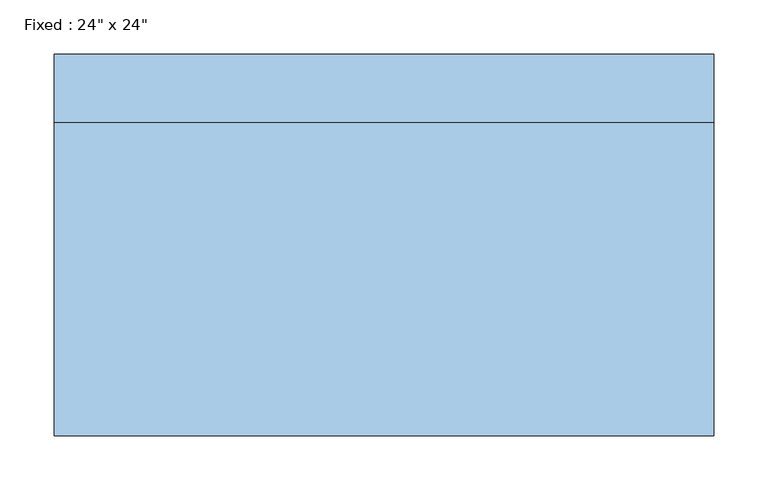
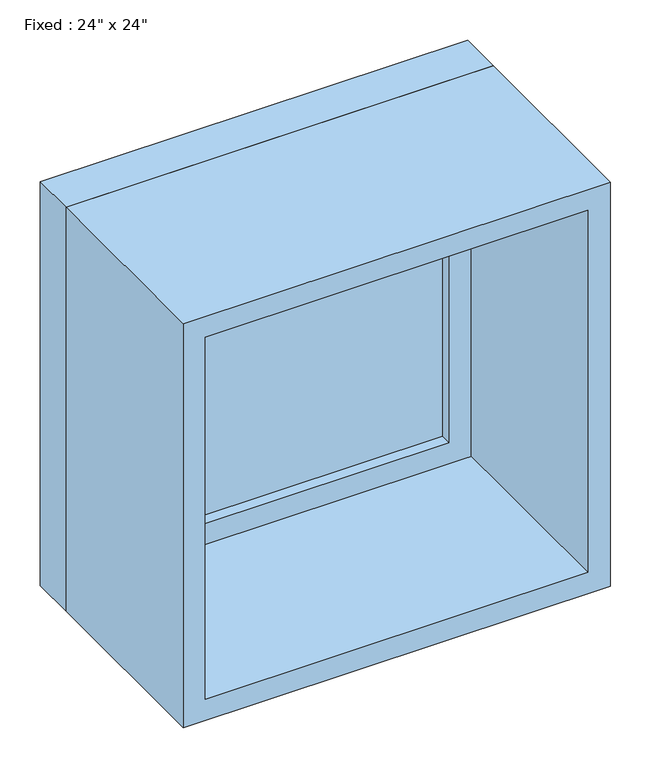
"""IFC4 building model written with IfcOpenShell, lengths in millimetres: window geometry."""

from ifc_helpers import new_model, si_unit, frame, origin, place, context, project, spatial, polyline, outline, extrude, source, transform, mapped, element, save


def window_c64d902a(model_context):
    return source(origin(), model_context, "Body", "SweptSolid", [
        extrude(outline(polyline([(203.2, 128.5875), (-279.4, 128.5875), (-279.4, 141.2875), (203.2, 141.2875), (203.2, 128.5875)])), frame((0.0, 0.0, 977.9), z_axis=(0.0, 0.0, 1.0), x_axis=(1.0, 0.0, 0.0)), (0.0, 0.0, 1.0), 482.6),
        extrude(outline(polyline([(1504.95, -323.85), (933.45, -323.85), (933.45, 247.65), (1504.95, 247.65), (1504.95, -323.85)]), holes=[polyline([(1460.5, -279.4), (1460.5, 203.2), (977.9, 203.2), (977.9, -279.4), (1460.5, -279.4)])]), frame((0.0, 112.7125, 0.0), z_axis=(0.0, 1.0, 0.0), x_axis=(0.0, 0.0, 1.0)), (0.0, 0.0, 1.0), 44.45),
        extrude(outline(polyline([(1524.0, -342.9), (914.4, -342.9), (914.4, 266.7), (1524.0, 266.7), (1524.0, -342.9)]), holes=[polyline([(1492.25, -311.15), (1492.25, 234.95), (946.15, 234.95), (946.15, -311.15), (1492.25, -311.15)])]), frame((0.0, -176.2125, 0.0), z_axis=(0.0, 1.0, 0.0), x_axis=(0.0, 0.0, 1.0)), (0.0, 0.0, 1.0), 288.925),
        extrude(outline(polyline([(1524.0, 266.7), (1524.0, -342.9), (914.4, -342.9), (914.4, 266.7), (1524.0, 266.7)]), holes=[polyline([(1504.95, 247.65), (933.45, 247.65), (933.45, -323.85), (1504.95, -323.85), (1504.95, 247.65)])]), frame((0.0, 112.7125, 0.0), z_axis=(0.0, 1.0, 0.0), x_axis=(0.0, 0.0, 1.0)), (0.0, 0.0, 1.0), 63.5),
    ])


if __name__ == "__main__":
    model = new_model("IFC4")
    model_context = context("Model", 3, world=origin())
    ifc_project = project(units=[si_unit("LENGTHUNIT", "METRE", prefix="MILLI")], contexts=[model_context])
    site = spatial("IfcSite", under=ifc_project)
    building = spatial("IfcBuilding", under=site)
    placement = place(None, origin())
    window_shape = window_c64d902a(model_context)
    element("IfcWindow", 1, ObjectType="Fixed : 24\" x 24\"", at=placement, inside=building, context=model_context, shape_type="MappedRepresentation", body=[
        mapped(window_shape, transform((0.0, 0.0, 0.0), x_axis=(1.0, 0.0, 0.0), y_axis=(0.0, 1.0, 0.0), z_axis=(0.0, 0.0, 1.0))),
    ])
    save(model, "model.ifc")
